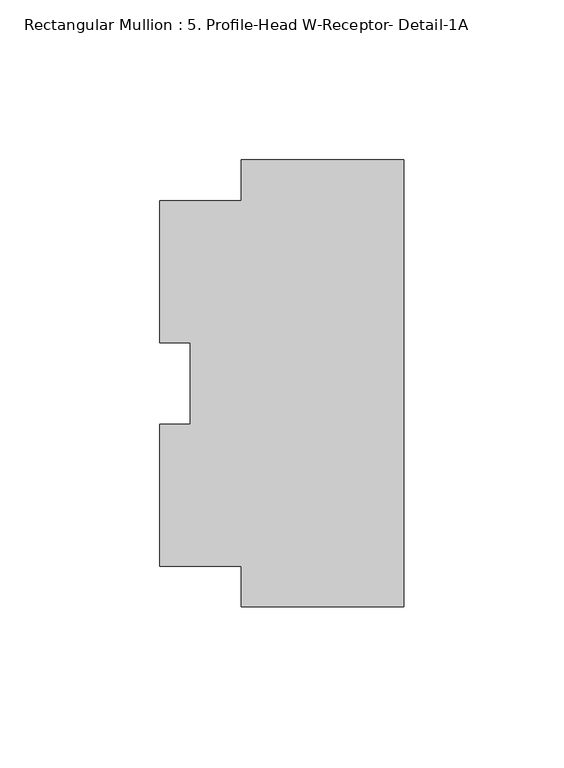
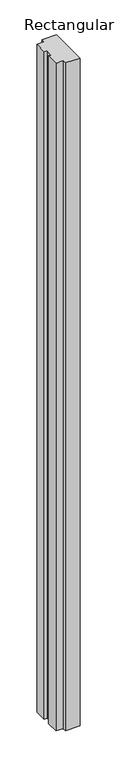
"""IFC4 building model written with IfcOpenShell, lengths in millimetres: member geometry, Rectangular Mullion : 5. Profile-Head W-Receptor- Detail-1A."""

from ifc_helpers import new_model, si_unit, frame, origin, place, context, project, spatial, polyline, outline, extrude, source, transform, mapped, element, save


def rectangular_mullion_5_profile_head_w_receptor_detail_1a_20e81006(model_context):
    return source(origin(), model_context, "Body", "SweptSolid", [
        extrude(outline(polyline([(0.0, -69.85), (-50.8, -69.85), (-50.8, -57.15), (-76.2, -57.15), (-76.2, -12.7550661), (-66.675, -12.7550661), (-66.675, 12.7326322), (-76.2, 12.7326322), (-76.2, 57.15), (-50.7746, 57.15), (-50.7746, 69.85), (0.0, 69.85), (0.0, -69.85)])), frame((0.0, 0.0, -2438.4), z_axis=(0.0, 0.0, 1.0), x_axis=(1.0, 0.0, 0.0)), (0.0, 0.0, 1.0), 2438.4),
    ])


if __name__ == "__main__":
    model = new_model("IFC4")
    model_context = context("Model", 3, world=origin())
    ifc_project = project(units=[si_unit("LENGTHUNIT", "METRE", prefix="MILLI")], contexts=[model_context])
    site = spatial("IfcSite", under=ifc_project)
    building = spatial("IfcBuilding", under=site)
    placement = place(None, origin())
    rectangular_mullion_5_profile_head_w_receptor_detail_1a_shape = rectangular_mullion_5_profile_head_w_receptor_detail_1a_20e81006(model_context)
    element("IfcMember", 1, ObjectType="Rectangular Mullion : 5. Profile-Head W-Receptor- Detail-1A", at=placement, inside=building, context=model_context, shape_type="MappedRepresentation", body=[
        mapped(rectangular_mullion_5_profile_head_w_receptor_detail_1a_shape, transform((0.0, 0.0, 0.0), x_axis=(1.0, 0.0, 0.0), y_axis=(0.0, 1.0, 0.0), z_axis=(0.0, 0.0, 1.0))),
    ])
    save(model, "model.ifc")
